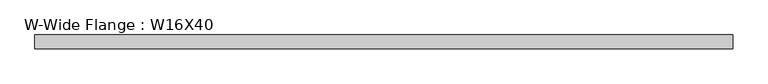
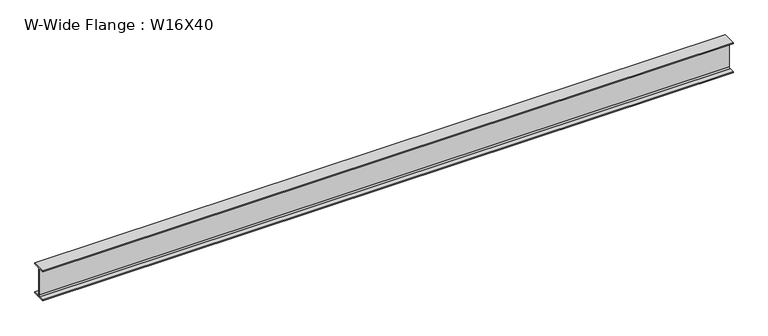
"""IFC4 building model written with IfcOpenShell, lengths in millimetres: beam geometry, W-Wide Flange : W16X40."""

from ifc_helpers import new_model, si_unit, point, frame, frame_2d, origin, place, context, project, spatial, polyline, circle_curve, trimmed, segment, composite_curve, outline, extrude, source, transform, mapped, element, save


def w_wide_flange_w16x40_776d3a81(model_context):
    return source(origin(), model_context, "Body", "SweptSolid", [
        extrude(outline(composite_curve([segment(polyline([(88.9, -190.4007813), (88.9, -203.2), (-88.9, -203.2), (-88.9, -190.4007813), (-21.2328125, -190.4007813)]), True, "CONTINUOUS"), segment(trimmed(circle_curve(frame_2d((-21.2328125, -173.0375)), 17.3632813), [point((-21.2328125, -190.4007813))], [point((-3.8695313, -173.0375))], True, "CARTESIAN"), True, "CONTINUOUS"), segment(polyline([(-3.8695313, -173.0375), (-3.8695313, 173.0375)]), True, "CONTINUOUS"), segment(trimmed(circle_curve(frame_2d((-21.2328125, 173.0375)), 17.3632812), [point((-3.8695313, 173.0375))], [point((-21.2328125, 190.4007812))], True, "CARTESIAN"), True, "CONTINUOUS"), segment(polyline([(-21.2328125, 190.4007812), (-88.9, 190.4007812), (-88.9, 203.2), (88.9, 203.2), (88.9, 190.4007812), (21.2328125, 190.4007812)]), True, "CONTINUOUS"), segment(trimmed(circle_curve(frame_2d((21.2328125, 173.0375)), 17.3632813), [point((21.2328125, 190.4007812))], [point((3.8695312, 173.0375))], True, "CARTESIAN"), True, "CONTINUOUS"), segment(polyline([(3.8695312, 173.0375), (3.8695312, -173.0375)]), True, "CONTINUOUS"), segment(trimmed(circle_curve(frame_2d((21.2328125, -173.0375)), 17.3632812), [point((3.8695312, -173.0375))], [point((21.2328125, -190.4007813))], True, "CARTESIAN"), True, "CONTINUOUS"), segment(polyline([(21.2328125, -190.4007813), (88.9, -190.4007813)]), True, "CONTINUOUS")], self_intersect=False)), frame((-4431.2333984, 0.0, 0.0), z_axis=(1.0, 0.0, 0.0), x_axis=(0.0, 1.0, 0.0)), (0.0, 0.0, 1.0), 8859.5398438),
    ])


if __name__ == "__main__":
    model = new_model("IFC4")
    model_context = context("Model", 3, world=origin())
    ifc_project = project(units=[si_unit("LENGTHUNIT", "METRE", prefix="MILLI")], contexts=[model_context])
    site = spatial("IfcSite", under=ifc_project)
    building = spatial("IfcBuilding", under=site)
    placement = place(None, origin())
    w_wide_flange_w16x40_shape = w_wide_flange_w16x40_776d3a81(model_context)
    element("IfcBeam", 1, ObjectType="W-Wide Flange : W16X40", at=placement, inside=building, context=model_context, shape_type="MappedRepresentation", body=[
        mapped(w_wide_flange_w16x40_shape, transform((0.0, 0.0, 0.0), x_axis=(1.0, 0.0, 0.0), y_axis=(0.0, 1.0, 0.0), z_axis=(0.0, 0.0, 1.0))),
    ])
    save(model, "model.ifc")
